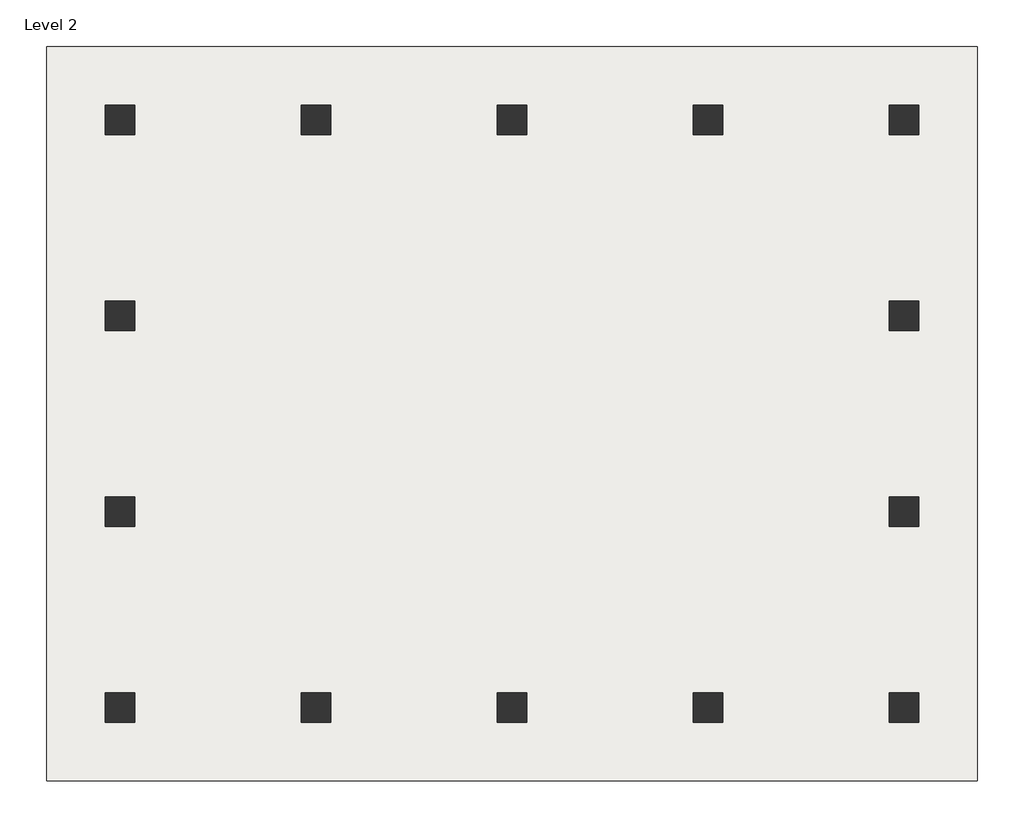
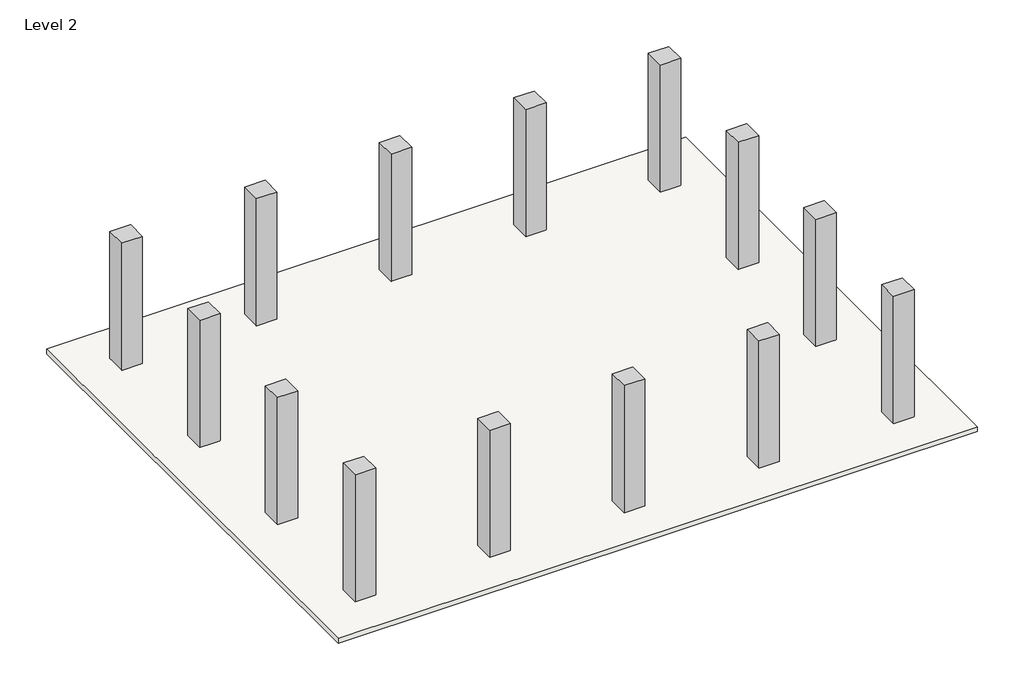
# One storey: 14 columns, 1 slab.
"""IFC4 building model written with IfcOpenShell, lengths in millimetres."""

import ifcopenshell
import ifcopenshell.guid

model = None  # the IFC model being written
_history = None  # IfcOwnerHistory: only IFC2X3 demands one
_inside = {}  # id of a spatial element -> (the spatial element, [elements in it])
_under = {}  # id of a project, library or spatial element -> (it, [spatial elements below it])
_declared = {}  # id of a project -> (the project, [libraries it declares])
_typed = {}  # id of a type object -> (the type object, [elements of that type])
_made_of = {}  # id of a material, layer set ... -> (it, [elements and type objects made of it])


def new_model(schema):
    """Start an empty IFC model of exactly this schema.

    Asked for "IFC4X3", IfcOpenShell would pick the latest addendum, in which some entities
    have other attributes; the version numbers below select the first issue.
    IFC2X3 requires an IfcOwnerHistory on every rooted entity: one is made here for all.
    """
    global model, _history
    if schema == "IFC4X3":
        model = ifcopenshell.file(schema_version=(4, 3, 0, 0))
    else:
        model = ifcopenshell.file(schema=schema)
    _inside.clear()
    _under.clear()
    _declared.clear()
    _typed.clear()
    _made_of.clear()
    _history = None
    if model.schema == "IFC2X3":
        org = make("IfcOrganization", Name="unknown")
        user = make(
            "IfcPersonAndOrganization",
            ThePerson=make("IfcPerson", FamilyName="unknown"),
            TheOrganization=org,
        )
        app = make(
            "IfcApplication",
            ApplicationDeveloper=org,
            Version="unknown",
            ApplicationFullName="unknown",
            ApplicationIdentifier="unknown",
        )
        _history = make(
            "IfcOwnerHistory",
            OwningUser=user,
            OwningApplication=app,
            ChangeAction="ADDED",
            CreationDate=0,
        )
    return model


def make(cls, **values):
    """One entity of the class cls with the attributes given. An attribute that is None is left unset."""
    return model.create_entity(
        cls, **{name: value for name, value in values.items() if value is not None}
    )


def rooted(cls, **values):
    """An entity with a GlobalId (a new one), such as an element, a storey or a relation."""
    return make(cls, GlobalId=ifcopenshell.guid.new(), OwnerHistory=_history, **values)


def si_unit(unit_type, name, prefix=None):
    """IfcSIUnit, for example si_unit("LENGTHUNIT", "METRE", prefix="MILLI")."""
    return make("IfcSIUnit", UnitType=unit_type, Prefix=prefix, Name=name)


def assignment(units):
    """IfcUnitAssignment: the units of a project."""
    return None if units is None else make("IfcUnitAssignment", Units=units)


def point(xyz):
    """IfcCartesianPoint."""
    return None if xyz is None else make("IfcCartesianPoint", Coordinates=xyz)


def direction(xyz):
    """IfcDirection."""
    return None if xyz is None else make("IfcDirection", DirectionRatios=xyz)


def frame(location, z_axis=None, x_axis=None):
    """IfcAxis2Placement3D, a coordinate frame: its origin and axes. An axis left out is left unset."""
    return make(
        "IfcAxis2Placement3D",
        Location=point(location),
        Axis=direction(z_axis),
        RefDirection=direction(x_axis),
    )


def origin():
    """The frame at (0, 0, 0) with its axes left unset."""
    return frame((0.0, 0.0, 0.0))


def place(relative_to, where):
    """IfcLocalPlacement: puts the frame where relative to a parent placement (None: the world)."""
    return make(
        "IfcLocalPlacement", PlacementRelTo=relative_to, RelativePlacement=where
    )


def context(
    kind, dimensions, precision=None, world=None, true_north=None, identifier=None
):
    """IfcGeometricRepresentationContext, for example the 3D "Model" context."""
    return make(
        "IfcGeometricRepresentationContext",
        ContextIdentifier=identifier,
        ContextType=kind,
        CoordinateSpaceDimension=dimensions,
        Precision=precision,
        WorldCoordinateSystem=world,
        TrueNorth=true_north,
    )


def project(units=None, contexts=None):
    """IfcProject with its units and contexts."""
    return rooted(
        "IfcProject",
        Name="project",
        RepresentationContexts=contexts,
        UnitsInContext=assignment(units),
    )


def spatial(cls, under=None, at=None, **own):
    """A site, building, storey or space (cls), placed at a placement, below another one or the project."""
    s = rooted(cls, ObjectPlacement=at, **own)
    if under is not None:
        _under.setdefault(under.id(), (under, []))[1].append(s)
    return s


def polyline(points):
    """IfcPolyline through the points."""
    return make("IfcPolyline", Points=[point(p) for p in points])


def outline(outer, holes=None, kind="AREA"):
    """IfcArbitraryClosedProfileDef: a profile drawn as a closed curve; with holes, ...WithVoids."""
    if holes is None:
        return make("IfcArbitraryClosedProfileDef", ProfileType=kind, OuterCurve=outer)
    return make(
        "IfcArbitraryProfileDefWithVoids",
        ProfileType=kind,
        OuterCurve=outer,
        InnerCurves=holes,
    )


def extrude(swept, where, along, depth):
    """IfcExtrudedAreaSolid: the profile swept, set in the frame where, extruded along a direction by depth."""
    return make(
        "IfcExtrudedAreaSolid",
        SweptArea=swept,
        Position=where,
        ExtrudedDirection=direction(along),
        Depth=depth,
    )


def shape(context_of_items, identifier, shape_type, items):
    """IfcShapeRepresentation: the items that make up one representation, for example the "Body"."""
    return make(
        "IfcShapeRepresentation",
        ContextOfItems=context_of_items,
        RepresentationIdentifier=identifier,
        RepresentationType=shape_type,
        Items=items,
    )


def source(mapping_origin, context_of_items, identifier, shape_type, items):
    """IfcRepresentationMap: a shape defined once, which mapped items show again and again."""
    return make(
        "IfcRepresentationMap",
        MappingOrigin=mapping_origin,
        MappedRepresentation=shape(context_of_items, identifier, shape_type, items),
    )


def transform(
    local_origin,
    x_axis=None,
    y_axis=None,
    z_axis=None,
    scale=None,
    scale2=None,
    scale3=None,
    uniform=True,
):
    """IfcCartesianTransformationOperator3D, or its non-uniform kind. x_axis, y_axis, z_axis: its Axis1, 2, 3."""
    if uniform:
        return make(
            "IfcCartesianTransformationOperator3D",
            Axis1=direction(x_axis),
            Axis2=direction(y_axis),
            LocalOrigin=point(local_origin),
            Scale=scale,
            Axis3=direction(z_axis),
        )
    return make(
        "IfcCartesianTransformationOperator3DnonUniform",
        Axis1=direction(x_axis),
        Axis2=direction(y_axis),
        LocalOrigin=point(local_origin),
        Scale=scale,
        Axis3=direction(z_axis),
        Scale2=scale2,
        Scale3=scale3,
    )


def mapped(mapping_source, mapping_target):
    """IfcMappedItem: shows the shape of a source again, moved by a transform."""
    return make(
        "IfcMappedItem", MappingSource=mapping_source, MappingTarget=mapping_target
    )


def made_of(thing, what):
    """Note that an element or type object is made of a material, layer set ...; save() writes the relation."""
    if what is not None:
        _made_of.setdefault(what.id(), (what, []))[1].append(thing)
    return thing


def element(
    cls,
    number,
    at=None,
    inside=None,
    cuts=None,
    type_object=None,
    material=None,
    context=None,
    identifier="Body",
    shape_type=None,
    held_by="IfcProductDefinitionShape",
    body=None,
    shapes=None,
    **own,
):
    """One element of the class cls, such as IfcWall. Its Tag is "e" and its number.

    at: its placement. inside: the storey or other place that contains it. cuts: it is an
    opening in that element (IfcRelVoidsElement). A single representation is given by context,
    identifier, shape_type and body (its items); several are given by shapes. held_by: the class
    of the entity that holds the representations. save() writes the other relations.
    """
    e = rooted(cls, Tag="e%d" % number, ObjectPlacement=at, **own)
    if body is not None:
        shapes = [shape(context, identifier, shape_type, body)]
    if shapes is not None:
        e.Representation = make(held_by, Representations=shapes)
    if inside is not None:
        _inside.setdefault(inside.id(), (inside, []))[1].append(e)
    if cuts is not None:
        rooted(
            "IfcRelVoidsElement", RelatingBuildingElement=cuts, RelatedOpeningElement=e
        )
    if type_object is not None:
        _typed.setdefault(type_object.id(), (type_object, []))[1].append(e)
    return made_of(e, material)


def aggregate(whole, parts):
    """IfcRelAggregates: a whole, such as a stair, and the parts it consists of."""
    return rooted("IfcRelAggregates", RelatingObject=whole, RelatedObjects=parts)


def save(model, path):
    """Write the relations noted so far, then the file.

    IfcRelAggregates (storeys below a building ...), IfcRelContainedInSpatialStructure (elements
    in a storey), IfcRelDefinesByType, IfcRelAssociatesMaterial and IfcRelDeclares: one each for
    every whole, place, type object, material and project.
    """
    for whole, parts in _under.values():
        aggregate(whole, parts)
    for where, things in _inside.values():
        rooted(
            "IfcRelContainedInSpatialStructure",
            RelatedElements=things,
            RelatingStructure=where,
        )
    for kind, things in _typed.values():
        rooted("IfcRelDefinesByType", RelatedObjects=things, RelatingType=kind)
    for what, things in _made_of.values():
        rooted("IfcRelAssociatesMaterial", RelatedObjects=things, RelatingMaterial=what)
    for by, libraries in _declared.values():
        rooted("IfcRelDeclares", RelatingContext=by, RelatedDefinitions=libraries)
    model.write(path)


def m_rectangular_column_610_x_610mm_2aeb49cb(model_context):
    return source(origin(), model_context, "Body", "SweptSolid", [
        extrude(outline(polyline([(305.0, 305.0), (305.0, -305.0), (-305.0, -305.0), (-305.0, 305.0), (305.0, 305.0)])), frame((0.0, 0.0, 4000.0), z_axis=(0.0, 0.0, 1.0), x_axis=(1.0, 0.0, 0.0)), (0.0, 0.0, 1.0), 4000.0),
    ])


model = new_model("IFC4")

# Units and contexts
model_context = context("Model", 3, world=origin())
ifc_project = project(units=[si_unit("LENGTHUNIT", "METRE", prefix="MILLI")], contexts=[model_context])

# Site, building, storey
site = spatial("IfcSite", under=ifc_project)
building = spatial("IfcBuilding", under=site)
storey = spatial("IfcBuildingStorey", under=building, Name="Level 2", Elevation=4000.0)

# Columns
placement = place(None, origin())
m_rectangular_column_610_x_610mm_shape = m_rectangular_column_610_x_610mm_2aeb49cb(model_context)
element("IfcColumn", 1, ObjectType="M_Rectangular Column : 610 x 610mm", at=placement, inside=storey, context=model_context, shape_type="MappedRepresentation", body=[
    mapped(m_rectangular_column_610_x_610mm_shape, transform((-6065.5268457, 4107.1335473, 0.0), x_axis=(1.0, 0.0, 0.0), y_axis=(0.0, 1.0, 0.0), z_axis=(0.0, 0.0, 1.0))),
])
element("IfcColumn", 2, ObjectType="M_Rectangular Column : 610 x 610mm", at=placement, inside=storey, context=model_context, shape_type="MappedRepresentation", body=[
    mapped(m_rectangular_column_610_x_610mm_shape, transform((-2065.5268457, 4107.1335473, 0.0), x_axis=(1.0, 0.0, 0.0), y_axis=(0.0, 1.0, 0.0), z_axis=(0.0, 0.0, 1.0))),
])
element("IfcColumn", 3, ObjectType="M_Rectangular Column : 610 x 610mm", at=placement, inside=storey, context=model_context, shape_type="MappedRepresentation", body=[
    mapped(m_rectangular_column_610_x_610mm_shape, transform((1934.4731543, 4107.1335473, 0.0), x_axis=(1.0, 0.0, 0.0), y_axis=(0.0, 1.0, 0.0), z_axis=(0.0, 0.0, 1.0))),
])
element("IfcColumn", 4, ObjectType="M_Rectangular Column : 610 x 610mm", at=placement, inside=storey, context=model_context, shape_type="MappedRepresentation", body=[
    mapped(m_rectangular_column_610_x_610mm_shape, transform((5934.4731543, 4107.1335473, 0.0), x_axis=(1.0, 0.0, 0.0), y_axis=(0.0, 1.0, 0.0), z_axis=(0.0, 0.0, 1.0))),
])
element("IfcColumn", 5, ObjectType="M_Rectangular Column : 610 x 610mm", at=placement, inside=storey, context=model_context, shape_type="MappedRepresentation", body=[
    mapped(m_rectangular_column_610_x_610mm_shape, transform((9934.4731543, 4107.1335473, 0.0), x_axis=(1.0, 0.0, 0.0), y_axis=(0.0, 1.0, 0.0), z_axis=(0.0, 0.0, 1.0))),
])
element("IfcColumn", 6, ObjectType="M_Rectangular Column : 610 x 610mm", at=placement, inside=storey, context=model_context, shape_type="MappedRepresentation", body=[
    mapped(m_rectangular_column_610_x_610mm_shape, transform((9934.4731543, 107.1335473, 0.0), x_axis=(1.0, 0.0, 0.0), y_axis=(0.0, 1.0, 0.0), z_axis=(0.0, 0.0, 1.0))),
])
element("IfcColumn", 7, ObjectType="M_Rectangular Column : 610 x 610mm", at=placement, inside=storey, context=model_context, shape_type="MappedRepresentation", body=[
    mapped(m_rectangular_column_610_x_610mm_shape, transform((9934.4731543, -3892.8664527, 0.0), x_axis=(1.0, 0.0, 0.0), y_axis=(0.0, 1.0, 0.0), z_axis=(0.0, 0.0, 1.0))),
])
element("IfcColumn", 8, ObjectType="M_Rectangular Column : 610 x 610mm", at=placement, inside=storey, context=model_context, shape_type="MappedRepresentation", body=[
    mapped(m_rectangular_column_610_x_610mm_shape, transform((9934.4731543, -7892.8664527, 0.0), x_axis=(1.0, 0.0, 0.0), y_axis=(0.0, 1.0, 0.0), z_axis=(0.0, 0.0, 1.0))),
])
element("IfcColumn", 9, ObjectType="M_Rectangular Column : 610 x 610mm", at=placement, inside=storey, context=model_context, shape_type="MappedRepresentation", body=[
    mapped(m_rectangular_column_610_x_610mm_shape, transform((5934.4731543, -7892.8664527, 0.0), x_axis=(1.0, 0.0, 0.0), y_axis=(0.0, 1.0, 0.0), z_axis=(0.0, 0.0, 1.0))),
])
element("IfcColumn", 10, ObjectType="M_Rectangular Column : 610 x 610mm", at=placement, inside=storey, context=model_context, shape_type="MappedRepresentation", body=[
    mapped(m_rectangular_column_610_x_610mm_shape, transform((1934.4731543, -7892.8664527, 0.0), x_axis=(1.0, 0.0, 0.0), y_axis=(0.0, 1.0, 0.0), z_axis=(0.0, 0.0, 1.0))),
])
element("IfcColumn", 11, ObjectType="M_Rectangular Column : 610 x 610mm", at=placement, inside=storey, context=model_context, shape_type="MappedRepresentation", body=[
    mapped(m_rectangular_column_610_x_610mm_shape, transform((-2065.5268457, -7892.8664527, 0.0), x_axis=(1.0, 0.0, 0.0), y_axis=(0.0, 1.0, 0.0), z_axis=(0.0, 0.0, 1.0))),
])
element("IfcColumn", 12, ObjectType="M_Rectangular Column : 610 x 610mm", at=placement, inside=storey, context=model_context, shape_type="MappedRepresentation", body=[
    mapped(m_rectangular_column_610_x_610mm_shape, transform((-6065.5268457, -7892.8664527, 0.0), x_axis=(1.0, 0.0, 0.0), y_axis=(0.0, 1.0, 0.0), z_axis=(0.0, 0.0, 1.0))),
])
element("IfcColumn", 13, ObjectType="M_Rectangular Column : 610 x 610mm", at=placement, inside=storey, context=model_context, shape_type="MappedRepresentation", body=[
    mapped(m_rectangular_column_610_x_610mm_shape, transform((-6065.5268457, -3892.8664527, 0.0), x_axis=(1.0, 0.0, 0.0), y_axis=(0.0, 1.0, 0.0), z_axis=(0.0, 0.0, 1.0))),
])
element("IfcColumn", 14, ObjectType="M_Rectangular Column : 610 x 610mm", at=placement, inside=storey, context=model_context, shape_type="MappedRepresentation", body=[
    mapped(m_rectangular_column_610_x_610mm_shape, transform((-6065.5268457, 107.1335473, 0.0), x_axis=(1.0, 0.0, 0.0), y_axis=(0.0, 1.0, 0.0), z_axis=(0.0, 0.0, 1.0))),
])

# Slab
element("IfcSlab", 15, ObjectType="Generic 150mm", at=placement, inside=storey, context=model_context, shape_type="SweptSolid", body=[
    extrude(outline(polyline([(11434.4731543, 5607.1335473), (11434.4731543, -9392.8664527), (-7565.5268457, -9392.8664527), (-7565.5268457, 5607.1335473), (11434.4731543, 5607.1335473)])), frame((0.0, 0.0, 3850.0), z_axis=(0.0, 0.0, 1.0), x_axis=(1.0, 0.0, 0.0)), (0.0, 0.0, 1.0), 150.0),
])

save(model, "model.ifc")
